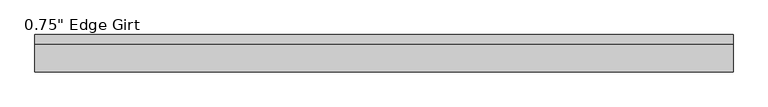
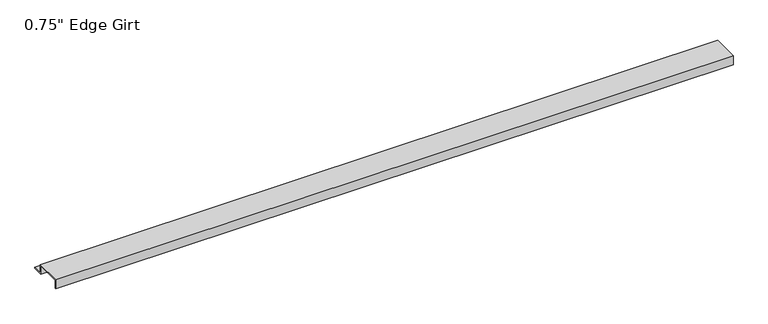
"""IFC4 building model written with IfcOpenShell, lengths in millimetres: proxy geometry."""

from ifc_helpers import new_model, si_unit, frame, origin, place, context, project, spatial, polyline, outline, extrude, source, transform, mapped, element, save


def proxy_d03de5f6(model_context):
    return source(origin(), model_context, "Body", "SweptSolid", [
        extrude(outline(polyline([(46.0559645, -17.4375), (25.4, -17.4375), (25.4, 0.0), (-25.4, 0.0), (-25.4, -17.4375), (-27.0129, -17.4375), (-27.0129, 1.6129), (27.0129, 1.6129), (27.0129, -15.8242), (46.0559645, -15.8242), (46.0559645, -17.4375)])), frame((0.0, 0.0, 0.0), z_axis=(1.0, 0.0, 0.0), x_axis=(0.0, 1.0, 0.0)), (0.0, 0.0, 1.0), 1364.8117491),
    ])


if __name__ == "__main__":
    model = new_model("IFC4")
    model_context = context("Model", 3, world=origin())
    ifc_project = project(units=[si_unit("LENGTHUNIT", "METRE", prefix="MILLI")], contexts=[model_context])
    site = spatial("IfcSite", under=ifc_project)
    building = spatial("IfcBuilding", under=site)
    placement = place(None, origin())
    proxy_shape = proxy_d03de5f6(model_context)
    element("IfcBuildingElementProxy", 1, Name="0.75\" Edge Girt", ObjectType="0.75\" Edge Girt", at=placement, inside=building, context=model_context, shape_type="MappedRepresentation", body=[
        mapped(proxy_shape, transform((0.0, 0.0, 0.0), x_axis=(1.0, 0.0, 0.0), y_axis=(0.0, 1.0, 0.0), z_axis=(0.0, 0.0, 1.0))),
    ])
    save(model, "model.ifc")
